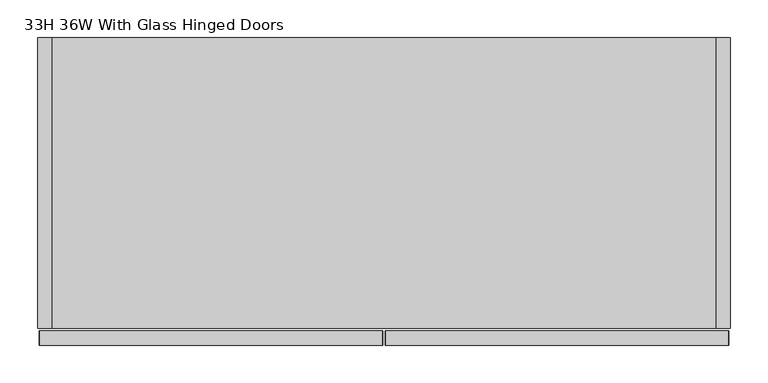
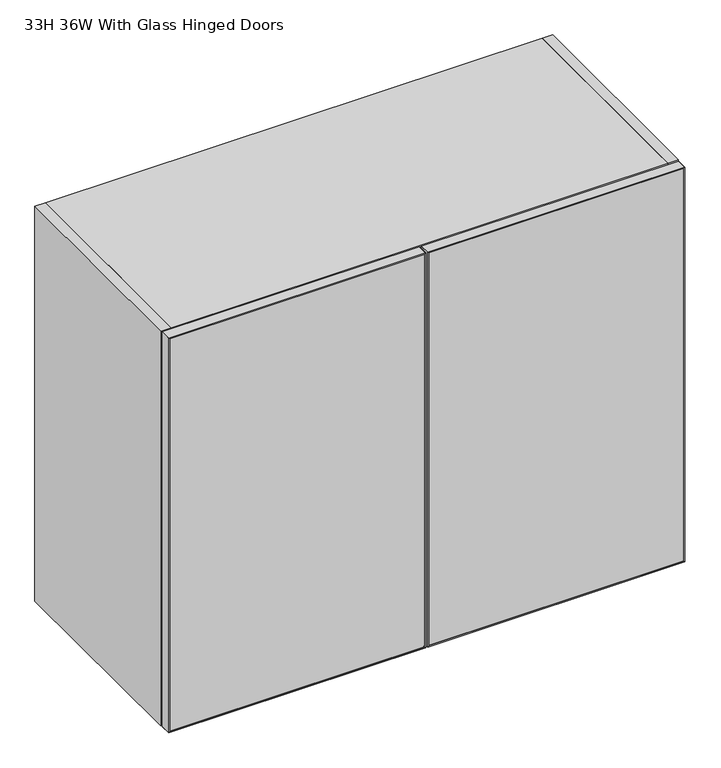
"""IFC4 building model written with IfcOpenShell, lengths in millimetres: furniture geometry, 33H 36W With Glass Hinged Doors."""

from ifc_helpers import new_model, si_unit, frame, origin, place, context, project, spatial, polyline, outline, extrude, source, transform, mapped, element, save


def furniture_33h_36w_with_glass_hinged_doors_6718e185(model_context):
    return source(origin(), model_context, "Body", "SweptSolid", [
        extrude(outline(polyline([(1968.5, -11.1125), (1231.9, -11.1125), (1233.4875, -9.525), (1966.9125, -9.525), (1968.5, -11.1125)])), frame((0.0, -419.1, 0.0), z_axis=(0.0, 1.0, 0.0), x_axis=(0.0, 0.0, 1.0)), (0.0, 0.0, 1.0), 19.05),
        extrude(outline(polyline([(1968.5, 442.9125), (1966.9125, 441.325), (1233.4875, 441.325), (1231.9, 442.9125), (1968.5, 442.9125)])), frame((0.0, -419.1, 0.0), z_axis=(0.0, 1.0, 0.0), x_axis=(0.0, 0.0, 1.0)), (0.0, 0.0, 1.0), 19.05),
        extrude(outline(polyline([(1966.9125, -9.525), (1966.9125, 441.325), (1968.5, 442.9125), (1968.5, -11.1125), (1966.9125, -9.525)])), frame((0.0, -419.1, 0.0), z_axis=(0.0, 1.0, 0.0), x_axis=(0.0, 0.0, 1.0)), (0.0, 0.0, 1.0), 19.05),
        extrude(outline(polyline([(1233.4875, -9.525), (1231.9, -11.1125), (1231.9, 442.9125), (1233.4875, 441.325), (1233.4875, -9.525)])), frame((0.0, -419.1, 0.0), z_axis=(0.0, 1.0, 0.0), x_axis=(0.0, 0.0, 1.0)), (0.0, 0.0, 1.0), 19.05),
        extrude(outline(polyline([(441.325, -400.84375), (441.325, -418.30625), (-9.525, -418.30625), (-9.525, -400.84375), (441.325, -400.84375)])), frame((0.0, 0.0, 1233.4875), z_axis=(0.0, 0.0, 1.0), x_axis=(1.0, 0.0, 0.0)), (0.0, 0.0, 1.0), 733.425),
        extrude(outline(polyline([(1968.5, -14.2875), (1966.9125, -15.875), (1233.4875, -15.875), (1231.9, -14.2875), (1968.5, -14.2875)])), frame((0.0, -419.1, 0.0), z_axis=(0.0, 1.0, 0.0), x_axis=(0.0, 0.0, 1.0)), (0.0, 0.0, 1.0), 19.05),
        extrude(outline(polyline([(1968.5, -468.3125), (1231.9, -468.3125), (1233.4875, -466.725), (1966.9125, -466.725), (1968.5, -468.3125)])), frame((0.0, -419.1, 0.0), z_axis=(0.0, 1.0, 0.0), x_axis=(0.0, 0.0, 1.0)), (0.0, 0.0, 1.0), 19.05),
        extrude(outline(polyline([(1966.9125, -15.875), (1968.5, -14.2875), (1968.5, -468.3125), (1966.9125, -466.725), (1966.9125, -15.875)])), frame((0.0, -419.1, 0.0), z_axis=(0.0, 1.0, 0.0), x_axis=(0.0, 0.0, 1.0)), (0.0, 0.0, 1.0), 19.05),
        extrude(outline(polyline([(1233.4875, -15.875), (1233.4875, -466.725), (1231.9, -468.3125), (1231.9, -14.2875), (1233.4875, -15.875)])), frame((0.0, -419.1, 0.0), z_axis=(0.0, 1.0, 0.0), x_axis=(0.0, 0.0, 1.0)), (0.0, 0.0, 1.0), 19.05),
        extrude(outline(polyline([(-466.725, -400.84375), (-15.875, -400.84375), (-15.875, -418.30625), (-466.725, -418.30625), (-466.725, -400.84375)])), frame((0.0, 0.0, 1233.4875), z_axis=(0.0, 0.0, 1.0), x_axis=(1.0, 0.0, 0.0)), (0.0, 0.0, 1.0), 733.425),
        extrude(outline(polyline([(1968.5, -11.1125), (1231.9, -11.1125), (1233.4875, -9.525), (1966.9125, -9.525), (1968.5, -11.1125)])), frame((0.0, -419.1, 0.0), z_axis=(0.0, 1.0, 0.0), x_axis=(0.0, 0.0, 1.0)), (0.0, 0.0, 1.0), 19.05),
        extrude(outline(polyline([(1968.5, 442.9125), (1966.9125, 441.325), (1233.4875, 441.325), (1231.9, 442.9125), (1968.5, 442.9125)])), frame((0.0, -419.1, 0.0), z_axis=(0.0, 1.0, 0.0), x_axis=(0.0, 0.0, 1.0)), (0.0, 0.0, 1.0), 19.05),
        extrude(outline(polyline([(1966.9125, -9.525), (1966.9125, 441.325), (1968.5, 442.9125), (1968.5, -11.1125), (1966.9125, -9.525)])), frame((0.0, -419.1, 0.0), z_axis=(0.0, 1.0, 0.0), x_axis=(0.0, 0.0, 1.0)), (0.0, 0.0, 1.0), 19.05),
        extrude(outline(polyline([(1233.4875, -9.525), (1231.9, -11.1125), (1231.9, 442.9125), (1233.4875, 441.325), (1233.4875, -9.525)])), frame((0.0, -419.1, 0.0), z_axis=(0.0, 1.0, 0.0), x_axis=(0.0, 0.0, 1.0)), (0.0, 0.0, 1.0), 19.05),
        extrude(outline(polyline([(441.325, -400.84375), (441.325, -418.30625), (-9.525, -418.30625), (-9.525, -400.84375), (441.325, -400.84375)])), frame((0.0, 0.0, 1233.4875), z_axis=(0.0, 0.0, 1.0), x_axis=(1.0, 0.0, 0.0)), (0.0, 0.0, 1.0), 733.425),
        extrude(outline(polyline([(1968.5, -14.2875), (1966.9125, -15.875), (1233.4875, -15.875), (1231.9, -14.2875), (1968.5, -14.2875)])), frame((0.0, -419.1, 0.0), z_axis=(0.0, 1.0, 0.0), x_axis=(0.0, 0.0, 1.0)), (0.0, 0.0, 1.0), 19.05),
        extrude(outline(polyline([(1968.5, -468.3125), (1231.9, -468.3125), (1233.4875, -466.725), (1966.9125, -466.725), (1968.5, -468.3125)])), frame((0.0, -419.1, 0.0), z_axis=(0.0, 1.0, 0.0), x_axis=(0.0, 0.0, 1.0)), (0.0, 0.0, 1.0), 19.05),
        extrude(outline(polyline([(1966.9125, -15.875), (1968.5, -14.2875), (1968.5, -468.3125), (1966.9125, -466.725), (1966.9125, -15.875)])), frame((0.0, -419.1, 0.0), z_axis=(0.0, 1.0, 0.0), x_axis=(0.0, 0.0, 1.0)), (0.0, 0.0, 1.0), 19.05),
        extrude(outline(polyline([(1233.4875, -15.875), (1233.4875, -466.725), (1231.9, -468.3125), (1231.9, -14.2875), (1233.4875, -15.875)])), frame((0.0, -419.1, 0.0), z_axis=(0.0, 1.0, 0.0), x_axis=(0.0, 0.0, 1.0)), (0.0, 0.0, 1.0), 19.05),
        extrude(outline(polyline([(-466.725, -400.84375), (-15.875, -400.84375), (-15.875, -418.30625), (-466.725, -418.30625), (-466.725, -400.84375)])), frame((0.0, 0.0, 1233.4875), z_axis=(0.0, 0.0, 1.0), x_axis=(1.0, 0.0, 0.0)), (0.0, 0.0, 1.0), 733.425),
        extrude(outline(polyline([(6.35, -31.75), (6.35, -393.7), (-12.7, -393.7), (-12.7, -31.75), (6.35, -31.75)])), frame((0.0, 0.0, 1270.0), z_axis=(0.0, 0.0, 1.0), x_axis=(1.0, 0.0, 0.0)), (0.0, 0.0, 1.0), 679.45),
        extrude(outline(polyline([(-12.7, -31.75), (-12.7, -393.7), (-31.75, -393.7), (-31.75, -31.75), (-12.7, -31.75)])), frame((0.0, 0.0, 1270.0), z_axis=(0.0, 0.0, 1.0), x_axis=(1.0, 0.0, 0.0)), (0.0, 0.0, 1.0), 679.45),
        extrude(outline(polyline([(425.45, -12.7), (425.45, -396.875), (-450.85, -396.875), (-450.85, -12.7), (425.45, -12.7)])), frame((0.0, 0.0, 1949.45), z_axis=(0.0, 0.0, 1.0), x_axis=(1.0, 0.0, 0.0)), (0.0, 0.0, 1.0), 19.05),
        extrude(outline(polyline([(425.45, -12.7), (425.45, -31.75), (-450.85, -31.75), (-450.85, -12.7), (425.45, -12.7)])), frame((0.0, 0.0, 1231.9), z_axis=(0.0, 0.0, 1.0), x_axis=(1.0, 0.0, 0.0)), (0.0, 0.0, 1.0), 717.55),
        extrude(outline(polyline([(425.45, -31.75), (425.45, -396.875), (-450.85, -396.875), (-450.85, -31.75), (425.45, -31.75)])), frame((0.0, 0.0, 1231.9), z_axis=(0.0, 0.0, 1.0), x_axis=(1.0, 0.0, 0.0)), (0.0, 0.0, 1.0), 38.1),
        extrude(outline(polyline([(-450.85, -12.7), (-450.85, -396.875), (-469.9, -396.875), (-469.9, -12.7), (-450.85, -12.7)])), frame((0.0, 0.0, 1231.9), z_axis=(0.0, 0.0, 1.0), x_axis=(1.0, 0.0, 0.0)), (0.0, 0.0, 1.0), 736.6),
        extrude(outline(polyline([(444.5, -396.875), (425.45, -396.875), (425.45, -12.7), (444.5, -12.7), (444.5, -396.875)])), frame((0.0, 0.0, 1231.9), z_axis=(0.0, 0.0, 1.0), x_axis=(1.0, 0.0, 0.0)), (0.0, 0.0, 1.0), 736.6),
    ])


if __name__ == "__main__":
    model = new_model("IFC4")
    model_context = context("Model", 3, world=origin())
    ifc_project = project(units=[si_unit("LENGTHUNIT", "METRE", prefix="MILLI")], contexts=[model_context])
    site = spatial("IfcSite", under=ifc_project)
    building = spatial("IfcBuilding", under=site)
    placement = place(None, origin())
    furniture_33h_36w_with_glass_hinged_doors_shape = furniture_33h_36w_with_glass_hinged_doors_6718e185(model_context)
    element("IfcFurniture", 1, ObjectType="33H 36W With Glass Hinged Doors", at=placement, inside=building, context=model_context, shape_type="MappedRepresentation", body=[
        mapped(furniture_33h_36w_with_glass_hinged_doors_shape, transform((0.0, 0.0, 0.0), x_axis=(1.0, 0.0, 0.0), y_axis=(0.0, 1.0, 0.0), z_axis=(0.0, 0.0, 1.0))),
    ])
    save(model, "model.ifc")
